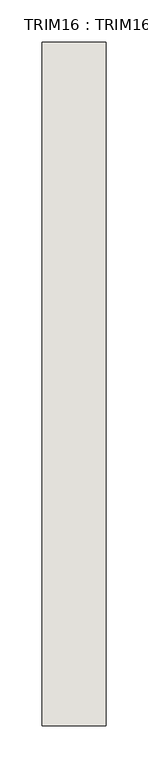
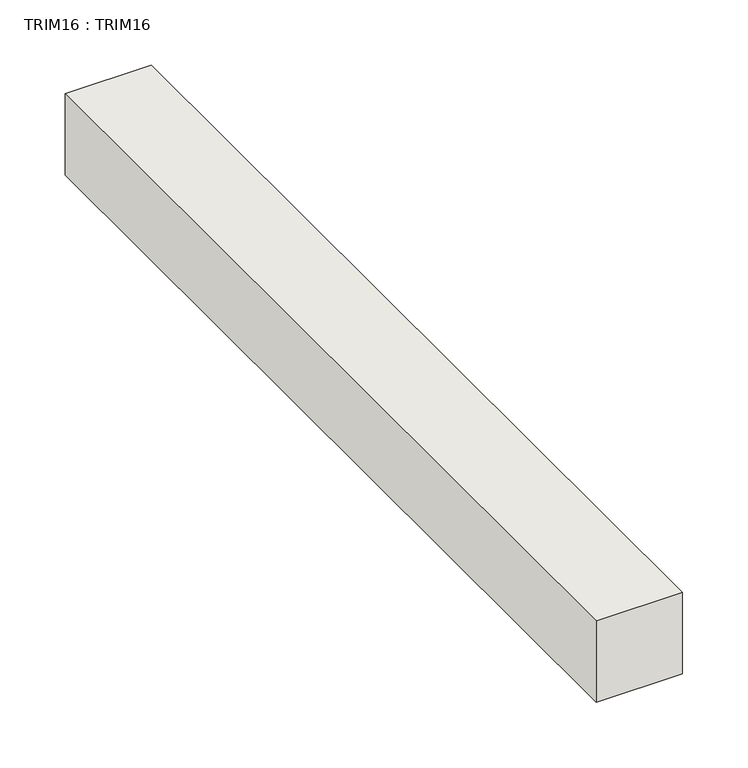
"""IFC4 building model written with IfcOpenShell, lengths in millimetres: wall geometry, TRIM16 : TRIM16."""

from ifc_helpers import new_model, si_unit, frame, origin, place, context, project, spatial, polyline, outline, extrude, source, transform, mapped, element, save


def trim16_trim16_83bb2a0e(model_context):
    return source(origin(), model_context, "Body", "SweptSolid", [
        extrude(outline(polyline([(-9674.6216415, 2458.5690079), (-9674.6216415, 1645.7690079), (-9750.8216415, 1645.7690079), (-9750.8216415, 2458.5690079), (-9674.6216415, 2458.5690079)])), frame((0.0, 0.0, 4019.9405142), z_axis=(0.0, 0.0, 1.0), x_axis=(1.0, 0.0, 0.0)), (0.0, 0.0, 1.0), 76.2),
    ])


if __name__ == "__main__":
    model = new_model("IFC4")
    model_context = context("Model", 3, world=origin())
    ifc_project = project(units=[si_unit("LENGTHUNIT", "METRE", prefix="MILLI")], contexts=[model_context])
    site = spatial("IfcSite", under=ifc_project)
    building = spatial("IfcBuilding", under=site)
    placement = place(None, origin())
    trim16_trim16_shape = trim16_trim16_83bb2a0e(model_context)
    element("IfcWall", 1, ObjectType="TRIM16 : TRIM16", at=placement, inside=building, context=model_context, shape_type="MappedRepresentation", body=[
        mapped(trim16_trim16_shape, transform((0.0, 0.0, 0.0), x_axis=(1.0, 0.0, 0.0), y_axis=(0.0, 1.0, 0.0), z_axis=(0.0, 0.0, 1.0))),
    ])
    save(model, "model.ifc")
